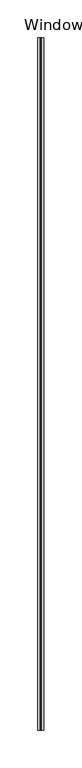
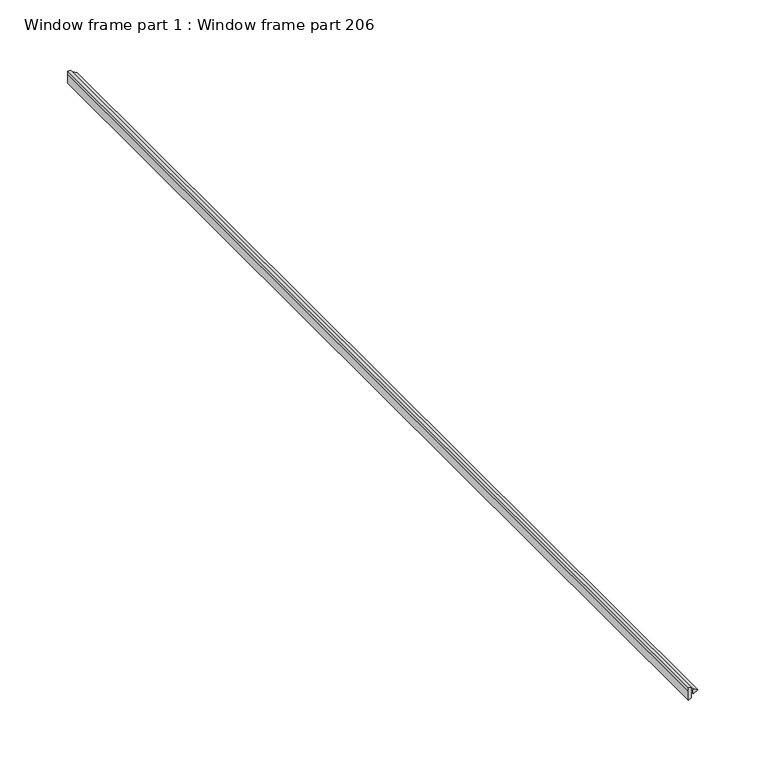
"""IFC4 building model written with IfcOpenShell, lengths in millimetres: proxy geometry, Window frame part 1 : Window frame part 206."""

import ifcopenshell
import ifcopenshell.guid

model = None  # the IFC model being written
_history = None  # IfcOwnerHistory: only IFC2X3 demands one
_inside = {}  # id of a spatial element -> (the spatial element, [elements in it])
_under = {}  # id of a project, library or spatial element -> (it, [spatial elements below it])
_declared = {}  # id of a project -> (the project, [libraries it declares])
_typed = {}  # id of a type object -> (the type object, [elements of that type])
_made_of = {}  # id of a material, layer set ... -> (it, [elements and type objects made of it])


def new_model(schema):
    """Start an empty IFC model of exactly this schema.

    Asked for "IFC4X3", IfcOpenShell would pick the latest addendum, in which some entities
    have other attributes; the version numbers below select the first issue.
    IFC2X3 requires an IfcOwnerHistory on every rooted entity: one is made here for all.
    """
    global model, _history
    if schema == "IFC4X3":
        model = ifcopenshell.file(schema_version=(4, 3, 0, 0))
    else:
        model = ifcopenshell.file(schema=schema)
    _inside.clear()
    _under.clear()
    _declared.clear()
    _typed.clear()
    _made_of.clear()
    _history = None
    if model.schema == "IFC2X3":
        org = make("IfcOrganization", Name="unknown")
        user = make(
            "IfcPersonAndOrganization",
            ThePerson=make("IfcPerson", FamilyName="unknown"),
            TheOrganization=org,
        )
        app = make(
            "IfcApplication",
            ApplicationDeveloper=org,
            Version="unknown",
            ApplicationFullName="unknown",
            ApplicationIdentifier="unknown",
        )
        _history = make(
            "IfcOwnerHistory",
            OwningUser=user,
            OwningApplication=app,
            ChangeAction="ADDED",
            CreationDate=0,
        )
    return model


def make(cls, **values):
    """One entity of the class cls with the attributes given. An attribute that is None is left unset."""
    return model.create_entity(
        cls, **{name: value for name, value in values.items() if value is not None}
    )


def rooted(cls, **values):
    """An entity with a GlobalId (a new one), such as an element, a storey or a relation."""
    return make(cls, GlobalId=ifcopenshell.guid.new(), OwnerHistory=_history, **values)


def si_unit(unit_type, name, prefix=None):
    """IfcSIUnit, for example si_unit("LENGTHUNIT", "METRE", prefix="MILLI")."""
    return make("IfcSIUnit", UnitType=unit_type, Prefix=prefix, Name=name)


def assignment(units):
    """IfcUnitAssignment: the units of a project."""
    return None if units is None else make("IfcUnitAssignment", Units=units)


def point(xyz):
    """IfcCartesianPoint."""
    return None if xyz is None else make("IfcCartesianPoint", Coordinates=xyz)


def direction(xyz):
    """IfcDirection."""
    return None if xyz is None else make("IfcDirection", DirectionRatios=xyz)


def frame(location, z_axis=None, x_axis=None):
    """IfcAxis2Placement3D, a coordinate frame: its origin and axes. An axis left out is left unset."""
    return make(
        "IfcAxis2Placement3D",
        Location=point(location),
        Axis=direction(z_axis),
        RefDirection=direction(x_axis),
    )


def origin():
    """The frame at (0, 0, 0) with its axes left unset."""
    return frame((0.0, 0.0, 0.0))


def place(relative_to, where):
    """IfcLocalPlacement: puts the frame where relative to a parent placement (None: the world)."""
    return make(
        "IfcLocalPlacement", PlacementRelTo=relative_to, RelativePlacement=where
    )


def context(
    kind, dimensions, precision=None, world=None, true_north=None, identifier=None
):
    """IfcGeometricRepresentationContext, for example the 3D "Model" context."""
    return make(
        "IfcGeometricRepresentationContext",
        ContextIdentifier=identifier,
        ContextType=kind,
        CoordinateSpaceDimension=dimensions,
        Precision=precision,
        WorldCoordinateSystem=world,
        TrueNorth=true_north,
    )


def project(units=None, contexts=None):
    """IfcProject with its units and contexts."""
    return rooted(
        "IfcProject",
        Name="project",
        RepresentationContexts=contexts,
        UnitsInContext=assignment(units),
    )


def spatial(cls, under=None, at=None, **own):
    """A site, building, storey or space (cls), placed at a placement, below another one or the project."""
    s = rooted(cls, ObjectPlacement=at, **own)
    if under is not None:
        _under.setdefault(under.id(), (under, []))[1].append(s)
    return s


def polyline(points):
    """IfcPolyline through the points."""
    return make("IfcPolyline", Points=[point(p) for p in points])


def outline(outer, holes=None, kind="AREA"):
    """IfcArbitraryClosedProfileDef: a profile drawn as a closed curve; with holes, ...WithVoids."""
    if holes is None:
        return make("IfcArbitraryClosedProfileDef", ProfileType=kind, OuterCurve=outer)
    return make(
        "IfcArbitraryProfileDefWithVoids",
        ProfileType=kind,
        OuterCurve=outer,
        InnerCurves=holes,
    )


def extrude(swept, where, along, depth):
    """IfcExtrudedAreaSolid: the profile swept, set in the frame where, extruded along a direction by depth."""
    return make(
        "IfcExtrudedAreaSolid",
        SweptArea=swept,
        Position=where,
        ExtrudedDirection=direction(along),
        Depth=depth,
    )


def shape(context_of_items, identifier, shape_type, items):
    """IfcShapeRepresentation: the items that make up one representation, for example the "Body"."""
    return make(
        "IfcShapeRepresentation",
        ContextOfItems=context_of_items,
        RepresentationIdentifier=identifier,
        RepresentationType=shape_type,
        Items=items,
    )


def source(mapping_origin, context_of_items, identifier, shape_type, items):
    """IfcRepresentationMap: a shape defined once, which mapped items show again and again."""
    return make(
        "IfcRepresentationMap",
        MappingOrigin=mapping_origin,
        MappedRepresentation=shape(context_of_items, identifier, shape_type, items),
    )


def transform(
    local_origin,
    x_axis=None,
    y_axis=None,
    z_axis=None,
    scale=None,
    scale2=None,
    scale3=None,
    uniform=True,
):
    """IfcCartesianTransformationOperator3D, or its non-uniform kind. x_axis, y_axis, z_axis: its Axis1, 2, 3."""
    if uniform:
        return make(
            "IfcCartesianTransformationOperator3D",
            Axis1=direction(x_axis),
            Axis2=direction(y_axis),
            LocalOrigin=point(local_origin),
            Scale=scale,
            Axis3=direction(z_axis),
        )
    return make(
        "IfcCartesianTransformationOperator3DnonUniform",
        Axis1=direction(x_axis),
        Axis2=direction(y_axis),
        LocalOrigin=point(local_origin),
        Scale=scale,
        Axis3=direction(z_axis),
        Scale2=scale2,
        Scale3=scale3,
    )


def mapped(mapping_source, mapping_target):
    """IfcMappedItem: shows the shape of a source again, moved by a transform."""
    return make(
        "IfcMappedItem", MappingSource=mapping_source, MappingTarget=mapping_target
    )


def made_of(thing, what):
    """Note that an element or type object is made of a material, layer set ...; save() writes the relation."""
    if what is not None:
        _made_of.setdefault(what.id(), (what, []))[1].append(thing)
    return thing


def element(
    cls,
    number,
    at=None,
    inside=None,
    cuts=None,
    type_object=None,
    material=None,
    context=None,
    identifier="Body",
    shape_type=None,
    held_by="IfcProductDefinitionShape",
    body=None,
    shapes=None,
    **own,
):
    """One element of the class cls, such as IfcWall. Its Tag is "e" and its number.

    at: its placement. inside: the storey or other place that contains it. cuts: it is an
    opening in that element (IfcRelVoidsElement). A single representation is given by context,
    identifier, shape_type and body (its items); several are given by shapes. held_by: the class
    of the entity that holds the representations. save() writes the other relations.
    """
    e = rooted(cls, Tag="e%d" % number, ObjectPlacement=at, **own)
    if body is not None:
        shapes = [shape(context, identifier, shape_type, body)]
    if shapes is not None:
        e.Representation = make(held_by, Representations=shapes)
    if inside is not None:
        _inside.setdefault(inside.id(), (inside, []))[1].append(e)
    if cuts is not None:
        rooted(
            "IfcRelVoidsElement", RelatingBuildingElement=cuts, RelatedOpeningElement=e
        )
    if type_object is not None:
        _typed.setdefault(type_object.id(), (type_object, []))[1].append(e)
    return made_of(e, material)


def aggregate(whole, parts):
    """IfcRelAggregates: a whole, such as a stair, and the parts it consists of."""
    return rooted("IfcRelAggregates", RelatingObject=whole, RelatedObjects=parts)


def save(model, path):
    """Write the relations noted so far, then the file.

    IfcRelAggregates (storeys below a building ...), IfcRelContainedInSpatialStructure (elements
    in a storey), IfcRelDefinesByType, IfcRelAssociatesMaterial and IfcRelDeclares: one each for
    every whole, place, type object, material and project.
    """
    for whole, parts in _under.values():
        aggregate(whole, parts)
    for where, things in _inside.values():
        rooted(
            "IfcRelContainedInSpatialStructure",
            RelatedElements=things,
            RelatingStructure=where,
        )
    for kind, things in _typed.values():
        rooted("IfcRelDefinesByType", RelatedObjects=things, RelatingType=kind)
    for what, things in _made_of.values():
        rooted("IfcRelAssociatesMaterial", RelatedObjects=things, RelatingMaterial=what)
    for by, libraries in _declared.values():
        rooted("IfcRelDeclares", RelatingContext=by, RelatedDefinitions=libraries)
    model.write(path)


def window_frame_part_1_window_frame_part_206_ccdb196b(model_context):
    return source(origin(), model_context, "Body", "SweptSolid", [
        extrude(outline(polyline([(1956.2663082, 37056.9613545), (1957.6374573, 37059.3362545), (1962.3881529, 37059.3362545), (1962.3881529, 37060.4942929), (1960.6390639, 37061.2331905), (1962.7850276, 37064.9501086), (1964.9309914, 37061.2331903), (1963.1819029, 37060.4942929), (1963.1819029, 37059.3362545), (1967.1624573, 37059.3362545), (1967.1624573, 37056.9613545), (1964.4131837, 37056.9613545), (1956.2663082, 37056.9613545)])), frame((0.0, -25196.3529946, 0.0), z_axis=(0.0, 1.0, 0.0), x_axis=(0.0, 0.0, 1.0)), (0.0, 0.0, 1.0), 914.4),
    ])


if __name__ == "__main__":
    model = new_model("IFC4")
    model_context = context("Model", 3, world=origin())
    ifc_project = project(units=[si_unit("LENGTHUNIT", "METRE", prefix="MILLI")], contexts=[model_context])
    site = spatial("IfcSite", under=ifc_project)
    building = spatial("IfcBuilding", under=site)
    placement = place(None, origin())
    window_frame_part_1_window_frame_part_206_shape = window_frame_part_1_window_frame_part_206_ccdb196b(model_context)
    element("IfcBuildingElementProxy", 1, Name="Window frame part 1 : Window frame part 206", ObjectType="Window frame part 1 : Window frame part 206", at=placement, inside=building, context=model_context, shape_type="MappedRepresentation", body=[
        mapped(window_frame_part_1_window_frame_part_206_shape, transform((0.0, 0.0, 0.0), x_axis=(1.0, 0.0, 0.0), y_axis=(0.0, 1.0, 0.0), z_axis=(0.0, 0.0, 1.0))),
    ])
    save(model, "model.ifc")
